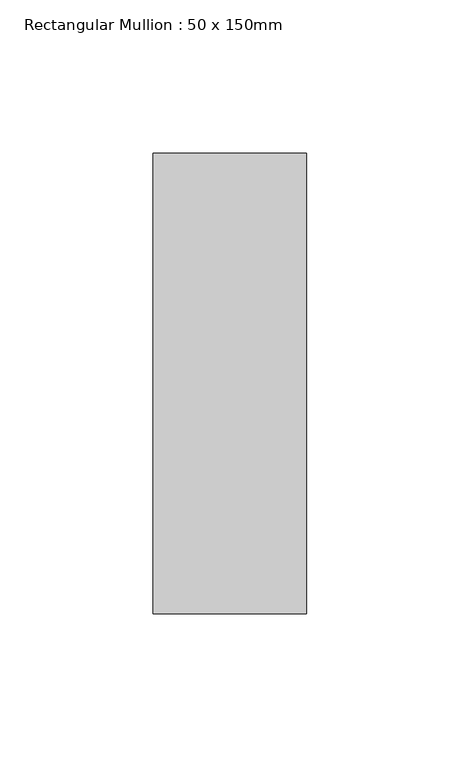
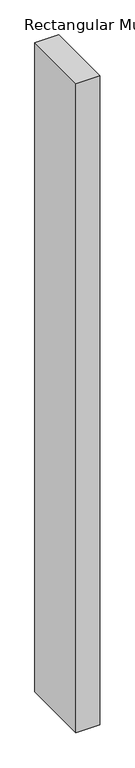
"""IFC4 building model written with IfcOpenShell, lengths in millimetres: member geometry, Rectangular Mullion : 50 x 150mm."""

from ifc_helpers import new_model, si_unit, frame, origin, place, context, project, spatial, polyline, outline, extrude, source, transform, mapped, element, save


def rectangular_mullion_50_x_150mm_30acbeec(model_context):
    return source(origin(), model_context, "Body", "SweptSolid", [
        extrude(outline(polyline([(0.0, 75.0), (0.0, -75.0), (-50.0, -75.0), (-50.0, 75.0), (0.0, 75.0)])), frame((0.0, 0.0, -1449.9999999), z_axis=(0.0, 0.0, 1.0), x_axis=(1.0, 0.0, 0.0)), (0.0, 0.0, 1.0), 1449.9999999),
    ])


if __name__ == "__main__":
    model = new_model("IFC4")
    model_context = context("Model", 3, world=origin())
    ifc_project = project(units=[si_unit("LENGTHUNIT", "METRE", prefix="MILLI")], contexts=[model_context])
    site = spatial("IfcSite", under=ifc_project)
    building = spatial("IfcBuilding", under=site)
    placement = place(None, origin())
    rectangular_mullion_50_x_150mm_shape = rectangular_mullion_50_x_150mm_30acbeec(model_context)
    element("IfcMember", 1, ObjectType="Rectangular Mullion : 50 x 150mm", at=placement, inside=building, context=model_context, shape_type="MappedRepresentation", body=[
        mapped(rectangular_mullion_50_x_150mm_shape, transform((0.0, 0.0, 0.0), x_axis=(1.0, 0.0, 0.0), y_axis=(0.0, 1.0, 0.0), z_axis=(0.0, 0.0, 1.0))),
    ])
    save(model, "model.ifc")
